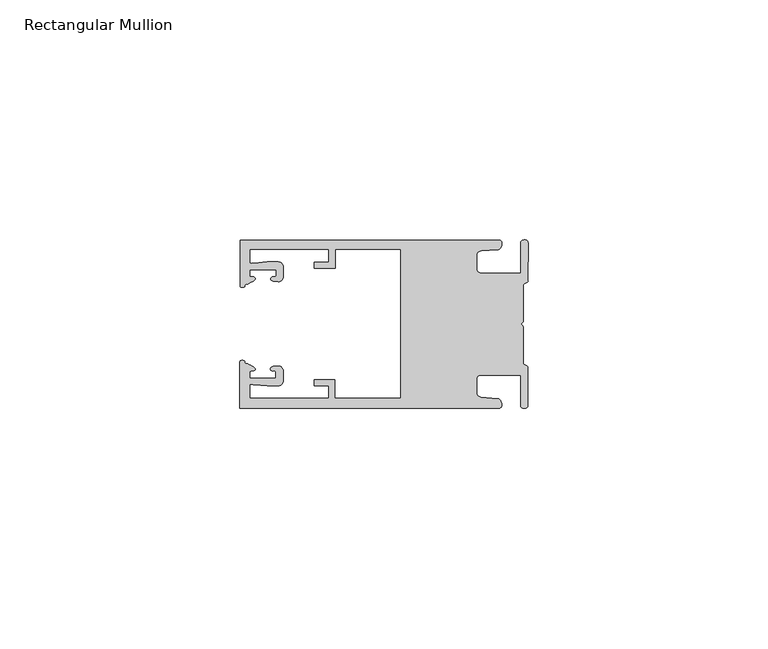
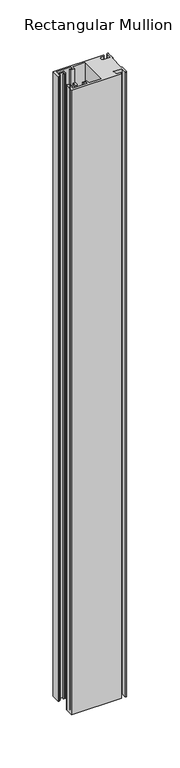
"""IFC4 building model written with IfcOpenShell, lengths in millimetres: member geometry, Rectangular Mullion."""

from ifc_helpers import new_model, si_unit, frame, origin, place, context, project, spatial, circle_curve, source, transform, mapped, element, save
from ifc_brep_helpers import plane_surface, cylinder_surface, extruded_surface, spline_curve, advanced_brep


def rectangular_mullion_7b4a85b7(model_context):
    return source(origin(), model_context, "Body", "AdvancedBrep", [
        advanced_brep(
        [(-60.0749377, 17.5111528, 0.0), (-60.0749377, 8.0140787, 0.0), (-59.3252567, 7.7187455, 0.0), (-58.4967974, 8.36785, 0.0), (-58.0726619, 10.1173923, 0.0), (-58.0713101, 11.3673916, 0.0), (-52.5713133, 11.3614437, 0.0), (-52.5726651, 10.1114444, 0.0), (-53.1427626, 8.8955539, 0.0), (-52.0740172, 8.8609044, 0.0), (-51.0729364, 9.8598224, 0.0), (-51.0706653, 11.9598211, 0.0), (-52.0700692, 12.9609024, 0.0), (-54.3905105, 12.9622843, 0.0), (-57.1599646, 12.7230061, 0.0), (-58.0696339, 12.9173907, 0.0), (-58.066768, 15.5673891, 0.0), (-41.5667584, 15.5673891, 0.0), (-41.5695894, 12.9495468, 0.0), (-44.5695877, 12.9527912, 0.0), (-44.5709936, 11.6527919, 0.0), (-40.2709961, 11.6481417, 0.0), (-40.2667576, 15.5673891, 0.0), (-26.6002952, 15.5673891, 0.0), (-26.6002952, -15.4518424, 0.0), (-40.3003032, -15.4518424, 0.0), (-40.2960856, -11.5518447, 0.0), (-44.5960831, -11.5471945, 0.0), (-44.597489, -12.8471938, 0.0), (-41.5974907, -12.8504381, 0.0), (-41.6003025, -15.4504366, 0.0), (-58.1002928, -15.4325927, 0.0), (-58.097427, -12.7825943, 0.0), (-57.1873395, -12.5901776, 0.0), (-54.4184094, -12.8354453, 0.0), (-52.0979705, -12.8390822, 0.0), (-51.0964037, -11.8401649, 0.0), (-51.0941327, -9.7401662, 0.0), (-52.0930507, -8.7390853, 0.0), (-53.1618685, -8.7714231, 0.0), (-52.5944022, -9.9885439, 0.0), (-52.595754, -11.2385431, 0.0), (-58.0957508, -11.2325952, 0.0), (-58.094399, -9.9825959, 0.0), (-58.5147494, -8.2321403, 0.0), (-59.3418028, -7.5812455, 0.0), (-60.0921208, -7.8749565, 0.0), (-60.0921208, -17.4888267, 0.0), (-6.1024861, -17.4888267, 0.0), (-6.5218639, -15.488372, 0.0), (-9.8784944, -15.2205466, 0.0), (-10.7989567, -14.2226333, 0.0), (-10.7961029, -11.5837474, 0.0), (-9.8734844, -10.5878272, 0.0), (-1.5950266, -10.5934991, 0.0), (-1.601948, -16.9936935, 0.0), (-0.1017194, -16.7830581, 0.0), (-0.0933208, -9.0170082, 0.0), (-1.0923837, -8.1499018, 0.0), (-1.0842165, -0.5977972, 0.0), (-1.0829111, 0.6093089, 0.0), (-1.0747439, 8.1614135, 0.0), (-0.0738079, 9.026357, 0.0), (-0.0654093, 16.7924069, 0.0), (-1.5651789, 17.0062866, 0.0), (-1.5651789, 10.6183257, 0.0), (-9.8505511, 10.6183257, 0.0), (-10.7710133, 11.6162391, 0.0), (-10.7681595, 14.255125, 0.0), (-9.845541, 15.2510452, 0.0), (-6.4883391, 15.5116099, 0.0), (-6.0646356, 17.5111528, 0.0), (-60.0749377, 17.5111528, -716.7155358), (-6.0646356, 17.5111528, -716.7155358), (-6.4883391, 15.5116099, -716.7155358), (-9.845541, 15.2510452, -716.7155358), (-10.7681595, 14.255125, -716.7155358), (-10.7710133, 11.6162391, -716.7155358), (-9.8505511, 10.6183257, -716.7155358), (-1.5651789, 10.6183257, -716.7155358), (-1.5651789, 17.0062866, -716.7155358), (-0.0654093, 16.7924069, -716.7155358), (-0.0738079, 9.026357, -716.7155358), (-1.0747439, 8.1614135, -716.7155358), (-1.0829111, 0.6093089, -716.7155358), (-1.0842165, -0.5977972, -716.7155358), (-1.0923837, -8.1499018, -716.7155358), (-0.0933208, -9.0170082, -716.7155358), (-0.1017194, -16.7830581, -716.7155358), (-1.601948, -16.9936935, -716.7155358), (-1.5950266, -10.5934991, -716.7155358), (-9.8734844, -10.5878272, -716.7155358), (-10.7961029, -11.5837474, -716.7155358), (-10.7989567, -14.2226333, -716.7155358), (-9.8784944, -15.2205466, -716.7155358), (-6.5218639, -15.488372, -716.7155358), (-6.1024861, -17.4888267, -716.7155358), (-60.0921208, -17.4888267, -716.7155358), (-60.0921208, -7.8749565, -716.7155358), (-59.3418028, -7.5812455, -716.7155358), (-58.5147494, -8.2321403, -716.7155358), (-58.094399, -9.9825959, -716.7155358), (-58.0957508, -11.2325952, -716.7155358), (-52.595754, -11.2385431, -716.7155358), (-52.5944022, -9.9885439, -716.7155358), (-53.1618685, -8.7714231, -716.7155358), (-52.0930507, -8.7390853, -716.7155358), (-51.0941327, -9.7401662, -716.7155358), (-51.0964037, -11.8401649, -716.7155358), (-52.0979705, -12.8390823, -716.7155358), (-54.4184094, -12.8354453, -716.7155358), (-57.1873395, -12.5901776, -716.7155358), (-58.097427, -12.7825943, -716.7155358), (-58.1002928, -15.4325927, -716.7155358), (-41.6003025, -15.4504366, -716.7155358), (-41.5974907, -12.8504381, -716.7155358), (-44.597489, -12.8471938, -716.7155358), (-44.5960831, -11.5471945, -716.7155358), (-40.2960856, -11.5518447, -716.7155358), (-40.3003032, -15.4518424, -716.7155358), (-26.6002952, -15.4518424, -716.7155358), (-26.6002952, 15.5673891, -716.7155358), (-40.2667576, 15.5673891, -716.7155358), (-40.2709961, 11.6481417, -716.7155358), (-44.5709936, 11.6527919, -716.7155358), (-44.5695877, 12.9527912, -716.7155358), (-41.5695894, 12.9495468, -716.7155358), (-41.5667584, 15.5673891, -716.7155358), (-58.066768, 15.5673891, -716.7155358), (-58.0696339, 12.9173907, -716.7155358), (-57.1599646, 12.7230061, -716.7155358), (-54.3905105, 12.9622843, -716.7155358), (-52.0700692, 12.9609023, -716.7155358), (-51.0706653, 11.9598211, -716.7155358), (-51.0729364, 9.8598224, -716.7155358), (-52.0740172, 8.8609044, -716.7155358), (-53.1427626, 8.8955539, -716.7155358), (-52.5726651, 10.1114444, -716.7155358), (-52.5713133, 11.3614437, -716.7155358), (-58.0713101, 11.3673916, -716.7155358), (-58.0726619, 10.1173923, -716.7155358), (-58.4967974, 8.36785, -716.7155358), (-59.3252567, 7.7187455, -716.7155358), (-60.0749377, 8.0140787, -716.7155358)],
        [
            (0, 1),
            (1, 2, spline_curve(3, [(-60.0749377, 8.0140787, 0.0), (-60.075233123, 7.740904774, 0.0), (-59.825339491, 7.642460332, 0.0), (-59.3252567, 7.7187455, 0.0)], [4, 4], [0.0, 0.0019169337574178654])),
            (2, 3, spline_curve(3, [(-59.3252567, 7.7187455, 0.0), (-59.094460914, 7.75918372, 0.0), (-59.054835463, 7.902257199, 0.0), (-59.05559987, 8.233305614, 0.0), (-59.138729113, 8.4134359, 0.0), (-58.4967974, 8.36785, 0.0)], [4, 2, 4], [0.0, 0.0010199524164107188, 0.0024874514725970356])),
            (3, 4, spline_curve(3, [(-58.4967974, 8.36785, 0.0), (-57.022393378, 9.053435667, 0.0), (-56.827266887, 9.364828726, 0.0), (-56.982213078, 9.742623404, 0.0), (-57.177375211, 9.855581791, 0.0), (-57.697928101, 9.887955071, 0.0), (-57.997449153, 9.835475348, 0.0), (-58.0726619, 10.1173923, 0.0)], [4, 2, 2, 4], [0.0, 0.003269869179570428, 0.005490050486237203, 0.0073545767114364426])),
            (4, 5),
            (5, 6),
            (6, 7),
            (7, 8, spline_curve(3, [(-52.5726651, 10.1114444, 0.0), (-52.667195519, 9.760172042, 0.0), (-52.937094388, 9.861877724, 0.0), (-53.356237032, 9.895631753, 0.0), (-53.491940439, 9.811038713, 0.0), (-53.761900775, 9.511438033, 0.0), (-53.892893546, 9.278787104, 0.0), (-53.1427626, 8.8955539, 0.0)], [4, 2, 2, 4], [0.0, 0.001593963049934732, 0.0033360256320283306, 0.005339140673503943])),
            (8, 9),
            (9, 10, circle_curve(frame((-52.0729358, 9.8609038, 0.0), z_axis=(0.0, 0.0, 1.0), x_axis=(-0.0010814451158600304, -0.9999994152380598, 0.0)), 1.0)),
            (10, 11),
            (11, 12, circle_curve(frame((-52.0706647, 11.9609026, 0.0), z_axis=(0.0, 0.0, 1.0), x_axis=(-0.0010814451158600304, -0.9999994152380598, 0.0)), 1.0)),
            (12, 13),
            (13, 14),
            (14, 15, spline_curve(3, [(-57.1599646, 12.7230061, 0.0), (-57.631533854, 12.682262968, 0.0), (-58.018602985, 12.477800124, 0.0), (-58.0696339, 12.9173907, 0.0)], [4, 4], [0.0, 0.0014803385355886016])),
            (15, 16),
            (16, 17),
            (17, 18),
            (18, 19),
            (19, 20),
            (20, 21),
            (21, 22),
            (22, 23),
            (23, 24),
            (24, 25),
            (25, 26),
            (26, 27),
            (27, 28),
            (28, 29),
            (29, 30),
            (30, 31),
            (31, 32),
            (32, 33, spline_curve(3, [(-58.097427, -12.7825943, 0.0), (-58.045445419, -12.343115126, 0.0), (-57.658819528, -12.548414611, 0.0), (-57.1873395, -12.5901776, 0.0)], [4, 4], [0.0, 0.0014803385355886016])),
            (33, 34),
            (34, 35),
            (35, 36, circle_curve(frame((-52.0964031, -11.8390835, 0.0), z_axis=(0.0, 0.0, 1.0), x_axis=(0.0010814451158600304, 0.9999994152380598, 0.0)), 1.0)),
            (36, 37),
            (37, 38, circle_curve(frame((-52.0941321, -9.7390847, 0.0), z_axis=(0.0, 0.0, 1.0), x_axis=(0.0010814451158600304, 0.9999994152380598, 0.0)), 1.0)),
            (38, 39),
            (39, 40, spline_curve(3, [(-53.1618685, -8.7714231, 0.0), (-53.912826582, -9.153032958, 0.0), (-53.782337352, -9.385966711, 0.0), (-53.51302565, -9.686150585, 0.0), (-53.377505444, -9.771037009, 0.0), (-52.958290774, -9.738189618, 0.0), (-52.688172635, -9.637067904, 0.0), (-52.5944022, -9.9885439, 0.0)], [4, 2, 2, 4], [0.0, 0.002003115041475612, 0.0037451776235692107, 0.005339140673503943])),
            (40, 41),
            (41, 42),
            (42, 43),
            (43, 44, spline_curve(3, [(-58.094399, -9.9825959, 0.0), (-58.018576674, -9.700842284, 0.0), (-57.719169706, -9.753969703, 0.0), (-57.198548014, -9.722722397, 0.0), (-57.003142178, -9.61018632, 0.0), (-56.847379222, -9.232727657, 0.0), (-57.041831673, -8.920913336, 0.0), (-58.5147494, -8.2321403, 0.0)], [4, 2, 2, 4], [0.0, 0.0018645262251992395, 0.004084707531866015, 0.0073545767114364426])),
            (44, 45, spline_curve(3, [(-58.5147494, -8.2321403, 0.0), (-59.156778208, -8.276337666, 0.0), (-59.073259494, -8.096387681, 0.0), (-59.071779067, -7.765341694, 0.0), (-59.111095017, -7.622182811, 0.0), (-59.3418028, -7.5812455, 0.0)], [4, 2, 4], [0.0, 0.0014674990561863168, 0.0024874514725970356])),
            (45, 46, spline_curve(3, [(-59.3418028, -7.5812455, 0.0), (-59.841719425, -7.503878887, 0.0), (-60.091825377, -7.601782574, 0.0), (-60.0921208, -7.8749565, 0.0)], [4, 4], [0.0, 0.0019169337574178654])),
            (46, 47),
            (47, 48),
            (48, 49, spline_curve(3, [(-6.1024861, -17.4888267, 0.0), (-5.074532184, -17.418062188, 0.0), (-5.631140689, -15.411414367, 0.0), (-6.5218639, -15.488372, 0.0)], [4, 4], [0.0, 0.0043819361547461745])),
            (49, 50),
            (50, 51, spline_curve(3, [(-9.8784944, -15.2205466, 0.0), (-10.440691543, -15.150698463, 0.0), (-10.74751234, -14.818060727, 0.0), (-10.7989567, -14.2226333, 0.0)], [4, 4], [0.0, 0.0028645797420738927])),
            (51, 52),
            (52, 53, spline_curve(3, [(-10.7961029, -11.5837474, 0.0), (-10.743370817, -10.988432634, 0.0), (-10.435831301, -10.656459204, 0.0), (-9.8734844, -10.5878272, 0.0)], [4, 4], [0.0, 0.0028645797420738927])),
            (53, 54),
            (54, 55),
            (55, 56, spline_curve(3, [(-1.601948, -16.9936935, 0.0), (-1.655676874, -17.600261454, 0.0), (-0.043737403, -17.912795581, 0.0), (-0.1017194, -16.7830581, 0.0)], [4, 4], [0.0, 0.0036987374396357936])),
            (56, 57),
            (57, 58, spline_curve(3, [(-0.0933208, -9.0170082, 0.0), (-0.018818183, -8.695886697, 0.0), (-1.193434327, -8.459763043, 0.0), (-1.0923837, -8.1499018, 0.0)], [4, 4], [0.0, 0.002027216749630121])),
            (58, 59),
            (59, 60, spline_curve(3, [(-1.0842165, -0.5977972, 0.0), (-1.013223198, -0.445980437, 0.0), (-1.487945123, -0.206736825, 0.0), (-1.487409651, 0.231097965, 0.0), (-0.999110985, 0.429090391, 0.0), (-1.0829111, 0.6093089, 0.0)], [4, 2, 4], [0.0, 0.00249866671847065, 0.005031402919736269])),
            (60, 61),
            (61, 62, spline_curve(3, [(-1.0747439, 8.1614135, 0.0), (-1.175124095, 8.47149258, 0.0), (-7e-09, 8.705075107, 0.0), (-0.0738079, 9.026357, 0.0)], [4, 4], [0.0, 0.002027216749630121])),
            (62, 63),
            (63, 64, spline_curve(3, [(-0.0654093, 16.7924069, 0.0), (-0.004983942, 17.92201633, 0.0), (-1.617595709, 17.612969344, 0.0), (-1.5651789, 17.0062866, 0.0)], [4, 4], [0.0, 0.0036987374396357936])),
            (64, 65),
            (65, 66),
            (66, 67, spline_curve(3, [(-9.8505511, 10.6183257, 0.0), (-10.412748243, 10.688173837, 0.0), (-10.71956894, 11.020811673, 0.0), (-10.7710133, 11.6162391, 0.0)], [4, 4], [0.0, 0.0028645797420738927])),
            (67, 68),
            (68, 69, spline_curve(3, [(-10.7681595, 14.255125, 0.0), (-10.715427417, 14.850439766, 0.0), (-10.407887901, 15.182413196, 0.0), (-9.845541, 15.2510452, 0.0)], [4, 4], [0.0, 0.0028645797420738927])),
            (69, 70),
            (70, 71, spline_curve(3, [(-6.4883391, 15.5116099, 0.0), (-5.597784423, 15.432725911, 0.0), (-5.036837144, 17.438165103, 0.0), (-6.0646356, 17.5111528, 0.0)], [4, 4], [0.0, 0.0043819361547461745])),
            (71, 0),
            (72, 73),
            (73, 74, spline_curve(3, [(-6.0646356, 17.5111528, -716.7155358), (-5.036837144, 17.438165103, -716.7155358), (-5.597784423, 15.432725911, -716.7155358), (-6.4883391, 15.5116099, -716.7155358)], [4, 4], [0.0, 0.0043819361547461745])),
            (74, 75),
            (75, 76, spline_curve(3, [(-9.845541, 15.2510452, -716.7155358), (-10.407887901, 15.182413196, -716.7155358), (-10.715427417, 14.850439766, -716.7155358), (-10.7681595, 14.255125, -716.7155358)], [4, 4], [0.0, 0.0028645797420738927])),
            (76, 77),
            (77, 78, spline_curve(3, [(-10.7710133, 11.6162391, -716.7155358), (-10.71956894, 11.020811673, -716.7155358), (-10.412748243, 10.688173837, -716.7155358), (-9.8505511, 10.6183257, -716.7155358)], [4, 4], [0.0, 0.0028645797420738927])),
            (78, 79),
            (79, 80),
            (80, 81, spline_curve(3, [(-1.5651789, 17.0062866, -716.7155358), (-1.617595709, 17.612969344, -716.7155358), (-0.004983942, 17.92201633, -716.7155358), (-0.0654093, 16.7924069, -716.7155358)], [4, 4], [0.0, 0.0036987374396357936])),
            (81, 82),
            (82, 83, spline_curve(3, [(-0.0738079, 9.026357, -716.7155358), (-7e-09, 8.705075107, -716.7155358), (-1.175124095, 8.47149258, -716.7155358), (-1.0747439, 8.1614135, -716.7155358)], [4, 4], [0.0, 0.002027216749630121])),
            (83, 84),
            (84, 85, spline_curve(3, [(-1.0829111, 0.6093089, -716.7155358), (-0.999110985, 0.429090391, -716.7155358), (-1.487409651, 0.231097965, -716.7155358), (-1.487945123, -0.206736825, -716.7155358), (-1.013223198, -0.445980437, -716.7155358), (-1.0842165, -0.5977972, -716.7155358)], [4, 2, 4], [0.0, 0.002532736201265619, 0.005031402919736269])),
            (85, 86),
            (86, 87, spline_curve(3, [(-1.0923837, -8.1499018, -716.7155358), (-1.193434327, -8.459763043, -716.7155358), (-0.018818183, -8.695886697, -716.7155358), (-0.0933208, -9.0170082, -716.7155358)], [4, 4], [0.0, 0.002027216749630121])),
            (87, 88),
            (88, 89, spline_curve(3, [(-0.1017194, -16.7830581, -716.7155358), (-0.043737403, -17.912795581, -716.7155358), (-1.655676874, -17.600261454, -716.7155358), (-1.601948, -16.9936935, -716.7155358)], [4, 4], [0.0, 0.0036987374396357936])),
            (89, 90),
            (90, 91),
            (91, 92, spline_curve(3, [(-9.8734844, -10.5878272, -716.7155358), (-10.435831301, -10.656459204, -716.7155358), (-10.743370817, -10.988432634, -716.7155358), (-10.7961029, -11.5837474, -716.7155358)], [4, 4], [0.0, 0.0028645797420738927])),
            (92, 93),
            (93, 94, spline_curve(3, [(-10.7989567, -14.2226333, -716.7155358), (-10.74751234, -14.818060727, -716.7155358), (-10.440691543, -15.150698463, -716.7155358), (-9.8784944, -15.2205466, -716.7155358)], [4, 4], [0.0, 0.0028645797420738927])),
            (94, 95),
            (95, 96, spline_curve(3, [(-6.5218639, -15.488372, -716.7155358), (-5.631140689, -15.411414367, -716.7155358), (-5.074532184, -17.418062188, -716.7155358), (-6.1024861, -17.4888267, -716.7155358)], [4, 4], [0.0, 0.0043819361547461745])),
            (96, 97),
            (97, 98),
            (98, 99, spline_curve(3, [(-60.0921208, -7.8749565, -716.7155358), (-60.091825377, -7.601782574, -716.7155358), (-59.841719425, -7.503878887, -716.7155358), (-59.3418028, -7.5812455, -716.7155358)], [4, 4], [0.0, 0.0019169337574178654])),
            (99, 100, spline_curve(3, [(-59.3418028, -7.5812455, -716.7155358), (-59.111095017, -7.622182811, -716.7155358), (-59.071779067, -7.765341694, -716.7155358), (-59.073259494, -8.096387681, -716.7155358), (-59.156778208, -8.276337666, -716.7155358), (-58.5147494, -8.2321403, -716.7155358)], [4, 2, 4], [0.0, 0.0010199524164107188, 0.0024874514725970356])),
            (100, 101, spline_curve(3, [(-58.5147494, -8.2321403, -716.7155358), (-57.041831673, -8.920913336, -716.7155358), (-56.847379222, -9.232727657, -716.7155358), (-57.003142178, -9.61018632, -716.7155358), (-57.198548014, -9.722722397, -716.7155358), (-57.719169706, -9.753969703, -716.7155358), (-58.018576674, -9.700842284, -716.7155358), (-58.094399, -9.9825959, -716.7155358)], [4, 2, 2, 4], [0.0, 0.003269869179570428, 0.005490050486237203, 0.0073545767114364426])),
            (101, 102),
            (102, 103),
            (103, 104),
            (104, 105, spline_curve(3, [(-52.5944022, -9.9885439, -716.7155358), (-52.688172635, -9.637067904, -716.7155358), (-52.958290774, -9.738189618, -716.7155358), (-53.377505444, -9.771037009, -716.7155358), (-53.51302565, -9.686150585, -716.7155358), (-53.782337352, -9.385966711, -716.7155358), (-53.912826582, -9.153032958, -716.7155358), (-53.1618685, -8.7714231, -716.7155358)], [4, 2, 2, 4], [0.0, 0.001593963049934732, 0.0033360256320283306, 0.005339140673503943])),
            (105, 106),
            (106, 107, circle_curve(frame((-52.0941321, -9.7390847, -716.7155358), z_axis=(0.0, 0.0, -1.0), x_axis=(0.0010814451158600304, 0.9999994152380598, 0.0)), 1.0)),
            (107, 108),
            (108, 109, circle_curve(frame((-52.0964031, -11.8390835, -716.7155358), z_axis=(0.0, 0.0, -1.0), x_axis=(0.0010814451158600304, 0.9999994152380598, 0.0)), 1.0)),
            (109, 110),
            (110, 111),
            (111, 112, spline_curve(3, [(-57.1873395, -12.5901776, -716.7155358), (-57.658819528, -12.548414611, -716.7155358), (-58.045445419, -12.343115126, -716.7155358), (-58.097427, -12.7825943, -716.7155358)], [4, 4], [0.0, 0.0014803385355886016])),
            (112, 113),
            (113, 114),
            (114, 115),
            (115, 116),
            (116, 117),
            (117, 118),
            (118, 119),
            (119, 120),
            (120, 121),
            (121, 122),
            (122, 123),
            (123, 124),
            (124, 125),
            (125, 126),
            (126, 127),
            (127, 128),
            (128, 129),
            (129, 130, spline_curve(3, [(-58.0696339, 12.9173907, -716.7155358), (-58.018602985, 12.477800124, -716.7155358), (-57.631533854, 12.682262968, -716.7155358), (-57.1599646, 12.7230061, -716.7155358)], [4, 4], [0.0, 0.0014803385355886016])),
            (130, 131),
            (131, 132),
            (132, 133, circle_curve(frame((-52.0706647, 11.9609026, -716.7155358), z_axis=(0.0, 0.0, -1.0), x_axis=(-0.0010814451158600304, -0.9999994152380598, 0.0)), 1.0)),
            (133, 134),
            (134, 135, circle_curve(frame((-52.0729358, 9.8609038, -716.7155358), z_axis=(0.0, 0.0, -1.0), x_axis=(-0.0010814451158600304, -0.9999994152380598, 0.0)), 1.0)),
            (135, 136),
            (136, 137, spline_curve(3, [(-53.1427626, 8.8955539, -716.7155358), (-53.892893546, 9.278787104, -716.7155358), (-53.761900775, 9.511438033, -716.7155358), (-53.491940439, 9.811038713, -716.7155358), (-53.356237032, 9.895631753, -716.7155358), (-52.937094388, 9.861877724, -716.7155358), (-52.667195519, 9.760172042, -716.7155358), (-52.5726651, 10.1114444, -716.7155358)], [4, 2, 2, 4], [0.0, 0.002003115041475612, 0.0037451776235692107, 0.005339140673503943])),
            (137, 138),
            (138, 139),
            (139, 140),
            (140, 141, spline_curve(3, [(-58.0726619, 10.1173923, -716.7155358), (-57.997449153, 9.835475348, -716.7155358), (-57.697928101, 9.887955071, -716.7155358), (-57.177375211, 9.855581791, -716.7155358), (-56.982213078, 9.742623404, -716.7155358), (-56.827266887, 9.364828726, -716.7155358), (-57.022393378, 9.053435667, -716.7155358), (-58.4967974, 8.36785, -716.7155358)], [4, 2, 2, 4], [0.0, 0.0018645262251992395, 0.004084707531866015, 0.0073545767114364426])),
            (141, 142, spline_curve(3, [(-58.4967974, 8.36785, -716.7155358), (-59.138729113, 8.4134359, -716.7155358), (-59.05559987, 8.233305614, -716.7155358), (-59.054835463, 7.902257199, -716.7155358), (-59.094460914, 7.75918372, -716.7155358), (-59.3252567, 7.7187455, -716.7155358)], [4, 2, 4], [0.0, 0.0014674990561863168, 0.0024874514725970356])),
            (142, 143, spline_curve(3, [(-59.3252567, 7.7187455, -716.7155358), (-59.825339491, 7.642460332, -716.7155358), (-60.075233123, 7.740904774, -716.7155358), (-60.0749377, 8.0140787, -716.7155358)], [4, 4], [0.0, 0.0019169337574178654])),
            (143, 72),
            (0, 72),
            (143, 1),
            (142, 2),
            (141, 3),
            (140, 4),
            (139, 5),
            (138, 6),
            (137, 7),
            (136, 8),
            (135, 9),
            (134, 10),
            (133, 11),
            (132, 12),
            (131, 13),
            (130, 14),
            (129, 15),
            (128, 16),
            (127, 17),
            (126, 18),
            (125, 19),
            (124, 20),
            (123, 21),
            (122, 22),
            (121, 23),
            (120, 24),
            (119, 25),
            (118, 26),
            (117, 27),
            (116, 28),
            (115, 29),
            (114, 30),
            (113, 31),
            (112, 32),
            (111, 33),
            (110, 34),
            (109, 35),
            (108, 36),
            (107, 37),
            (106, 38),
            (105, 39),
            (104, 40),
            (103, 41),
            (102, 42),
            (101, 43),
            (100, 44),
            (99, 45),
            (98, 46),
            (97, 47),
            (96, 48),
            (95, 49),
            (94, 50),
            (93, 51),
            (92, 52),
            (91, 53),
            (90, 54),
            (89, 55),
            (88, 56),
            (87, 57),
            (86, 58),
            (85, 59),
            (84, 60),
            (83, 61),
            (82, 62),
            (81, 63),
            (80, 64),
            (79, 65),
            (78, 66),
            (77, 67),
            (76, 68),
            (75, 69),
            (74, 70),
            (73, 71),
        ],
        [
            plane_surface(frame((0.0, -62.5853181, 0.0), z_axis=(0.0, 0.0, 1.0), x_axis=(-1.0, 0.0, 0.0))),
            plane_surface(frame((0.0, -62.5853181, -716.7155358), z_axis=(0.0, 0.0, -1.0), x_axis=(-1.0, 0.0, 0.0))),
            plane_surface(frame((-60.0749377, 17.5111528, 0.0), z_axis=(-1.0, 0.0, 0.0), x_axis=(0.0, 0.0, -1.0))),
            extruded_surface(spline_curve(3, [(-60.0749377, 8.0140787, -716.7155358), (-60.075233123, 7.740904774, -716.7155358), (-59.825339491, 7.642460332, -716.7155358), (-59.3252567, 7.7187455, -716.7155358)], [4, 4], [0.0, 0.0019169337574178654]), (0.0, 0.0, 716.7155358), 716.7155358),
            extruded_surface(spline_curve(3, [(-59.3252567, 7.7187455, -716.7155358), (-59.094460914, 7.75918372, -716.7155358), (-59.054835463, 7.902257199, -716.7155358), (-59.05559987, 8.233305614, -716.7155358), (-59.138729113, 8.4134359, -716.7155358), (-58.4967974, 8.36785, -716.7155358)], [4, 2, 4], [0.0, 0.0010199524164107188, 0.0024874514725970356]), (0.0, 0.0, 716.7155358), 716.7155358),
            extruded_surface(spline_curve(3, [(-58.4967974, 8.36785, -716.7155358), (-57.022393378, 9.053435667, -716.7155358), (-56.827266887, 9.364828726, -716.7155358), (-56.982213078, 9.742623404, -716.7155358), (-57.177375211, 9.855581791, -716.7155358), (-57.697928101, 9.887955071, -716.7155358), (-57.997449153, 9.835475348, -716.7155358), (-58.0726619, 10.1173923, -716.7155358)], [4, 2, 2, 4], [0.0, 0.003269869179570428, 0.005490050486237203, 0.0073545767114364426]), (0.0, 0.0, 716.7155358), 716.7155358),
            plane_surface(frame((-58.0726619, 10.1173923, 0.0), z_axis=(0.9999994152380598, -0.0010814451158634145, 0.0), x_axis=(0.0, 0.0, -1.0))),
            plane_surface(frame((-58.0713101, 11.3673916, 0.0), z_axis=(-0.0010814451158616418, -0.9999994152380598, 0.0), x_axis=(0.0, 0.0, -1.0))),
            plane_surface(frame((-52.5713133, 11.3614437, 0.0), z_axis=(-0.9999994152380598, 0.0010814451158643293, 0.0), x_axis=(0.0, 0.0, -1.0))),
            extruded_surface(spline_curve(3, [(-52.5726651, 10.1114444, -716.7155358), (-52.667195519, 9.760172042, -716.7155358), (-52.937094388, 9.861877724, -716.7155358), (-53.356237032, 9.895631753, -716.7155358), (-53.491940439, 9.811038713, -716.7155358), (-53.761900775, 9.511438033, -716.7155358), (-53.892893546, 9.278787104, -716.7155358), (-53.1427626, 8.8955539, -716.7155358)], [4, 2, 2, 4], [0.0, 0.001593963049934732, 0.0033360256320283306, 0.005339140673503943]), (0.0, 0.0, 716.7155358), 716.7155358),
            plane_surface(frame((-53.1427626, 8.8955539, 0.0), z_axis=(-0.032403661401520414, -0.9994748634797054, 0.0), x_axis=(0.0, 0.0, -1.0))),
            cylinder_surface(frame((-52.0729358, 9.8609038, 0.0), z_axis=(0.0, 0.0, 1.0000000000000002), x_axis=(-0.0010814451158600304, -0.9999994152380598, 0.0)), 1.0),
            plane_surface(frame((-51.0729364, 9.8598224, 0.0), z_axis=(0.9999994152380598, -0.001081445115864059, 0.0), x_axis=(0.0, 0.0, -1.0))),
            cylinder_surface(frame((-52.0706647, 11.9609026, 0.0), z_axis=(0.0, 0.0, 1.0000000000000002), x_axis=(-0.0010814451158600304, -0.9999994152380598, 0.0)), 1.0),
            plane_surface(frame((-52.0700692, 12.9609023, 0.0), z_axis=(0.0005955716436318007, 0.999999822647193, 0.0), x_axis=(0.0, 0.0, -1.0))),
            plane_surface(frame((-54.3905105, 12.9622843, 0.0), z_axis=(-0.08607836189159865, 0.9962883697073147, 0.0), x_axis=(0.0, 0.0, -1.0))),
            extruded_surface(spline_curve(3, [(-57.1599646, 12.7230061, -716.7155358), (-57.631533854, 12.682262968, -716.7155358), (-58.018602985, 12.477800124, -716.7155358), (-58.0696339, 12.9173907, -716.7155358)], [4, 4], [0.0, 0.0014803385355886016]), (0.0, 0.0, 716.7155358), 716.7155358),
            plane_surface(frame((-58.0696339, 12.9173907, 0.0), z_axis=(0.9999994152380598, -0.0010814451158629996, 0.0), x_axis=(0.0, 0.0, -1.0))),
            plane_surface(frame((-58.066768, 15.5673891, 0.0), z_axis=(0.0, -1.0, 0.0), x_axis=(0.0, 0.0, -1.0))),
            plane_surface(frame((-41.5667584, 15.5673891, 0.0), z_axis=(-0.9999994152380598, 0.0010814451158636304, 0.0), x_axis=(0.0, 0.0, -1.0))),
            plane_surface(frame((-41.5695894, 12.9495468, 0.0), z_axis=(0.0010814451158615687, 0.9999994152380598, 0.0), x_axis=(0.0, 0.0, -1.0))),
            plane_surface(frame((-44.5695877, 12.9527912, 0.0), z_axis=(-0.9999994152380598, 0.0010814451158626742, 0.0), x_axis=(0.0, 0.0, -1.0))),
            plane_surface(frame((-44.5709936, 11.6527919, 0.0), z_axis=(-0.001081445115861604, -0.9999994152380598, 0.0), x_axis=(0.0, 0.0, -1.0))),
            plane_surface(frame((-40.2709961, 11.6481417, 0.0), z_axis=(0.9999994152380598, -0.001081445115863507, 0.0), x_axis=(0.0, 0.0, -1.0))),
            plane_surface(frame((-40.2667576, 15.5673891, 0.0), z_axis=(0.0, -1.0, 0.0), x_axis=(0.0, 0.0, -1.0))),
            plane_surface(frame((-26.6002952, 15.5673891, 0.0), z_axis=(-1.0, 0.0, 0.0), x_axis=(0.0, 0.0, -1.0))),
            plane_surface(frame((-26.6002952, -15.4518424, 0.0), z_axis=(0.0, 1.0, 0.0), x_axis=(0.0, 0.0, -1.0))),
            plane_surface(frame((-40.3003032, -15.4518424, 0.0), z_axis=(0.9999994152380598, -0.0010814451158565538, 0.0), x_axis=(0.0, 0.0, -1.0))),
            plane_surface(frame((-40.2960856, -11.5518447, 0.0), z_axis=(0.0010814451158584568, 0.9999994152380598, 0.0), x_axis=(0.0, 0.0, -1.0))),
            plane_surface(frame((-44.5960831, -11.5471945, 0.0), z_axis=(-0.9999994152380598, 0.0010814451158573867, 0.0), x_axis=(0.0, 0.0, -1.0))),
            plane_surface(frame((-44.597489, -12.8471938, 0.0), z_axis=(-0.0010814451158584922, -0.9999994152380598, 0.0), x_axis=(0.0, 0.0, -1.0))),
            plane_surface(frame((-41.5974907, -12.8504381, 0.0), z_axis=(-0.9999994152380598, 0.0010814451158564305, 0.0), x_axis=(0.0, 0.0, -1.0))),
            plane_surface(frame((-41.6003025, -15.4504366, 0.0), z_axis=(0.0010814451158583872, 0.9999994152380598, 0.0), x_axis=(0.0, 0.0, -1.0))),
            plane_surface(frame((-58.1002928, -15.4325927, 0.0), z_axis=(0.9999994152380598, -0.0010814451158570612, 0.0), x_axis=(0.0, 0.0, -1.0))),
            extruded_surface(spline_curve(3, [(-58.097427, -12.7825943, -716.7155358), (-58.045445419, -12.343115126, -716.7155358), (-57.658819528, -12.548414611, -716.7155358), (-57.1873395, -12.5901776, -716.7155358)], [4, 4], [0.0, 0.0014803385355886016]), (0.0, 0.0, 716.7155358), 716.7155358),
            plane_surface(frame((-57.1873395, -12.5901776, 0.0), z_axis=(-0.0882330216729926, -0.9960998614026876, 0.0), x_axis=(0.0, 0.0, -1.0))),
            plane_surface(frame((-54.4184094, -12.8354453, 0.0), z_axis=(-0.0015673183327880543, -0.9999987717558677, 0.0), x_axis=(0.0, 0.0, -1.0))),
            cylinder_surface(frame((-52.0964031, -11.8390835, 0.0), z_axis=(0.0, 0.0, 1.0000000000000002), x_axis=(0.0010814451158600304, 0.9999994152380598, 0.0)), 1.0),
            plane_surface(frame((-51.0964037, -11.8401649, 0.0), z_axis=(0.9999994152380598, -0.001081445115856002, 0.0), x_axis=(0.0, 0.0, -1.0))),
            cylinder_surface(frame((-52.0941321, -9.7390847, 0.0), z_axis=(0.0, 0.0, 1.0000000000000002), x_axis=(0.0010814451158600304, 0.9999994152380598, 0.0)), 1.0),
            plane_surface(frame((-52.0930507, -8.7390853, 0.0), z_axis=(-0.030241832452872642, 0.9995426111826812, 0.0), x_axis=(0.0, 0.0, -1.0))),
            extruded_surface(spline_curve(3, [(-53.1618685, -8.7714231, -716.7155358), (-53.912826582, -9.153032958, -716.7155358), (-53.782337352, -9.385966711, -716.7155358), (-53.51302565, -9.686150585, -716.7155358), (-53.377505444, -9.771037009, -716.7155358), (-52.958290774, -9.738189618, -716.7155358), (-52.688172635, -9.637067904, -716.7155358), (-52.5944022, -9.9885439, -716.7155358)], [4, 2, 2, 4], [0.0, 0.002003115041475612, 0.0037451776235692107, 0.005339140673503943]), (0.0, 0.0, 716.7155358), 716.7155358),
            plane_surface(frame((-52.5944022, -9.9885439, 0.0), z_axis=(-0.9999994152380598, 0.0010814451158557316, 0.0), x_axis=(0.0, 0.0, -1.0))),
            plane_surface(frame((-52.595754, -11.2385431, 0.0), z_axis=(0.001081445115858419, 0.9999994152380598, 0.0), x_axis=(0.0, 0.0, -1.0))),
            plane_surface(frame((-58.0957508, -11.2325952, 0.0), z_axis=(0.9999994152380598, -0.0010814451158566464, 0.0), x_axis=(0.0, 0.0, -1.0))),
            extruded_surface(spline_curve(3, [(-58.094399, -9.9825959, -716.7155358), (-58.018576674, -9.700842284, -716.7155358), (-57.719169706, -9.753969703, -716.7155358), (-57.198548014, -9.722722397, -716.7155358), (-57.003142178, -9.61018632, -716.7155358), (-56.847379222, -9.232727657, -716.7155358), (-57.041831673, -8.920913336, -716.7155358), (-58.5147494, -8.2321403, -716.7155358)], [4, 2, 2, 4], [0.0, 0.0018645262251992395, 0.004084707531866015, 0.0073545767114364426]), (0.0, 0.0, 716.7155358), 716.7155358),
            extruded_surface(spline_curve(3, [(-58.5147494, -8.2321403, -716.7155358), (-59.156778208, -8.276337666, -716.7155358), (-59.073259494, -8.096387681, -716.7155358), (-59.071779067, -7.765341694, -716.7155358), (-59.111095017, -7.622182811, -716.7155358), (-59.3418028, -7.5812455, -716.7155358)], [4, 2, 4], [0.0, 0.0014674990561863168, 0.0024874514725970356]), (0.0, 0.0, 716.7155358), 716.7155358),
            extruded_surface(spline_curve(3, [(-59.3418028, -7.5812455, -716.7155358), (-59.841719425, -7.503878887, -716.7155358), (-60.091825377, -7.601782574, -716.7155358), (-60.0921208, -7.8749565, -716.7155358)], [4, 4], [0.0, 0.0019169337574178654]), (0.0, 0.0, 716.7155358), 716.7155358),
            plane_surface(frame((-60.0921208, -7.8749565, 0.0), z_axis=(-1.0, 0.0, 0.0), x_axis=(0.0, 0.0, -1.0))),
            plane_surface(frame((-60.0921208, -17.4888267, 0.0), z_axis=(0.0, -1.0, 0.0), x_axis=(0.0, 0.0, -1.0))),
            extruded_surface(spline_curve(3, [(-6.1024861, -17.4888267, -716.7155358), (-5.074532184, -17.418062188, -716.7155358), (-5.631140689, -15.411414367, -716.7155358), (-6.5218639, -15.488372, -716.7155358)], [4, 4], [0.0, 0.0043819361547461745]), (0.0, 0.0, 716.7155358), 716.7155358),
            plane_surface(frame((-6.5218639, -15.488372, 0.0), z_axis=(0.07953716124904908, 0.9968319015663789, 0.0), x_axis=(0.0, 0.0, -1.0))),
            extruded_surface(spline_curve(3, [(-9.8784944, -15.2205466, -716.7155358), (-10.440691543, -15.150698463, -716.7155358), (-10.74751234, -14.818060727, -716.7155358), (-10.7989567, -14.2226333, -716.7155358)], [4, 4], [0.0, 0.0028645797420738927]), (0.0, 0.0, 716.7155358), 716.7155358),
            plane_surface(frame((-10.7989567, -14.2226333, 0.0), z_axis=(0.9999994152380598, -0.0010814451158568247, 0.0), x_axis=(0.0, 0.0, -1.0))),
            extruded_surface(spline_curve(3, [(-10.7961029, -11.5837474, -716.7155358), (-10.743370817, -10.988432634, -716.7155358), (-10.435831301, -10.656459204, -716.7155358), (-9.8734844, -10.5878272, -716.7155358)], [4, 4], [0.0, 0.0028645797420738927]), (0.0, 0.0, 716.7155358), 716.7155358),
            plane_surface(frame((-9.8734844, -10.5878272, 0.0), z_axis=(-0.0006851371995361226, -0.9999997652934814, 0.0), x_axis=(0.0, 0.0, -1.0))),
            plane_surface(frame((-1.5950266, -10.5934991, 0.0), z_axis=(-0.9999994152380598, 0.0010814451158568644, 0.0), x_axis=(0.0, 0.0, -1.0))),
            extruded_surface(spline_curve(3, [(-1.601948, -16.9936935, -716.7155358), (-1.655676874, -17.600261454, -716.7155358), (-0.043737403, -17.912795581, -716.7155358), (-0.1017194, -16.7830581, -716.7155358)], [4, 4], [0.0, 0.0036987374396357936]), (0.0, 0.0, 716.7155358), 716.7155358),
            plane_surface(frame((-0.1017194, -16.7830581, 0.0), z_axis=(0.9999994152380598, -0.001081445115856699, 0.0), x_axis=(0.0, 0.0, -1.0))),
            extruded_surface(spline_curve(3, [(-0.0933208, -9.0170082, -716.7155358), (-0.018818183, -8.695886697, -716.7155358), (-1.193434327, -8.459763043, -716.7155358), (-1.0923837, -8.1499018, -716.7155358)], [4, 4], [0.0, 0.002027216749630121]), (0.0, 0.0, 716.7155358), 716.7155358),
            plane_surface(frame((-1.0923837, -8.1499018, 0.0), z_axis=(0.9999994152380598, -0.0010814451158566698, 0.0), x_axis=(0.0, 0.0, -1.0))),
            extruded_surface(spline_curve(3, [(-1.0842165, -0.5977972, -716.7155358), (-1.013223198, -0.445980437, -716.7155358), (-1.487945123, -0.206736825, -716.7155358), (-1.487409651, 0.231097965, -716.7155358), (-0.999110985, 0.429090391, -716.7155358), (-1.0829111, 0.6093089, -716.7155358)], [4, 2, 4], [0.0, 0.00249866671847065, 0.005031402919736269]), (0.0, 0.0, 716.7155358), 716.7155358),
            plane_surface(frame((-1.0829111, 0.6093089, 0.0), z_axis=(0.9999994152380598, -0.001081445115863391, 0.0), x_axis=(0.0, 0.0, -1.0))),
            extruded_surface(spline_curve(3, [(-1.0747439, 8.1614135, -716.7155358), (-1.175124095, 8.47149258, -716.7155358), (-7e-09, 8.705075107, -716.7155358), (-0.0738079, 9.026357, -716.7155358)], [4, 4], [0.0, 0.002027216749630121]), (0.0, 0.0, 716.7155358), 716.7155358),
            plane_surface(frame((-0.0738079, 9.026357, 0.0), z_axis=(0.9999994152380598, -0.001081445115863362, 0.0), x_axis=(0.0, 0.0, -1.0))),
            extruded_surface(spline_curve(3, [(-0.0654093, 16.7924069, -716.7155358), (-0.004983942, 17.92201633, -716.7155358), (-1.617595709, 17.612969344, -716.7155358), (-1.5651789, 17.0062866, -716.7155358)], [4, 4], [0.0, 0.0036987374396357936]), (0.0, 0.0, 716.7155358), 716.7155358),
            plane_surface(frame((-1.5651789, 17.0062866, 0.0), z_axis=(-1.0, 0.0, 0.0), x_axis=(0.0, 0.0, -1.0))),
            plane_surface(frame((-1.5651789, 10.6183257, 0.0), z_axis=(0.0, 1.0, 0.0), x_axis=(0.0, 0.0, -1.0))),
            extruded_surface(spline_curve(3, [(-9.8505511, 10.6183257, -716.7155358), (-10.412748243, 10.688173837, -716.7155358), (-10.71956894, 11.020811673, -716.7155358), (-10.7710133, 11.6162391, -716.7155358)], [4, 4], [0.0, 0.0028645797420738927]), (0.0, 0.0, 716.7155358), 716.7155358),
            plane_surface(frame((-10.7710133, 11.6162391, 0.0), z_axis=(0.9999994152380598, -0.0010814451158632362, 0.0), x_axis=(0.0, 0.0, -1.0))),
            extruded_surface(spline_curve(3, [(-10.7681595, 14.255125, -716.7155358), (-10.715427417, 14.850439766, -716.7155358), (-10.407887901, 15.182413196, -716.7155358), (-9.845541, 15.2510452, -716.7155358)], [4, 4], [0.0, 0.0028645797420738927]), (0.0, 0.0, 716.7155358), 716.7155358),
            plane_surface(frame((-9.845541, 15.2510452, 0.0), z_axis=(0.07738093848608862, -0.9970015999781607, 0.0), x_axis=(0.0, 0.0, -1.0))),
            extruded_surface(spline_curve(3, [(-6.4883391, 15.5116099, -716.7155358), (-5.597784423, 15.432725911, -716.7155358), (-5.036837144, 17.438165103, -716.7155358), (-6.0646356, 17.5111528, -716.7155358)], [4, 4], [0.0, 0.0043819361547461745]), (0.0, 0.0, 716.7155358), 716.7155358),
            plane_surface(frame((-6.0646356, 17.5111528, 0.0), z_axis=(0.0, 1.0, 0.0), x_axis=(0.0, 0.0, -1.0))),
        ],
        [
            (0, [[1, 2, 3, 4, 5, 6, 7, 8, 9, 10, 11, 12, 13, 14, 15, 16, 17, 18, 19, 20, 21, 22, 23, 24, 25, 26, 27, 28, 29, 30, 31, 32, 33, 34, 35, 36, 37, 38, 39, 40, 41, 42, 43, 44, 45, 46, 47, 48, 49, 50, 51, 52, 53, 54, 55, 56, 57, 58, 59, 60, 61, 62, 63, 64, 65, 66, 67, 68, 69, 70, 71, 72]]),
            (1, [[73, 74, 75, 76, 77, 78, 79, 80, 81, 82, 83, 84, 85, 86, 87, 88, 89, 90, 91, 92, 93, 94, 95, 96, 97, 98, 99, 100, 101, 102, 103, 104, 105, 106, 107, 108, 109, 110, 111, 112, 113, 114, 115, 116, 117, 118, 119, 120, 121, 122, 123, 124, 125, 126, 127, 128, 129, 130, 131, 132, 133, 134, 135, 136, 137, 138, 139, 140, 141, 142, 143, 144]]),
            (2, [[-1, 145, -144, 146]]),
            (3, [[-2, -146, -143, 147]]),
            (4, [[-3, -147, -142, 148]]),
            (5, [[-4, -148, -141, 149]]),
            (6, [[-5, -149, -140, 150]]),
            (7, [[-6, -150, -139, 151]]),
            (8, [[-7, -151, -138, 152]]),
            (9, [[-8, -152, -137, 153]]),
            (10, [[-9, -153, -136, 154]]),
            (11, [[-10, -154, -135, 155]]),
            (12, [[-11, -155, -134, 156]]),
            (13, [[-12, -156, -133, 157]]),
            (14, [[-13, -157, -132, 158]]),
            (15, [[-14, -158, -131, 159]]),
            (16, [[-15, -159, -130, 160]]),
            (17, [[-16, -160, -129, 161]]),
            (18, [[-17, -161, -128, 162]]),
            (19, [[-18, -162, -127, 163]]),
            (20, [[-19, -163, -126, 164]]),
            (21, [[-20, -164, -125, 165]]),
            (22, [[-21, -165, -124, 166]]),
            (23, [[-22, -166, -123, 167]]),
            (24, [[-23, -167, -122, 168]]),
            (25, [[-24, -168, -121, 169]]),
            (26, [[-25, -169, -120, 170]]),
            (27, [[-26, -170, -119, 171]]),
            (28, [[-27, -171, -118, 172]]),
            (29, [[-28, -172, -117, 173]]),
            (30, [[-29, -173, -116, 174]]),
            (31, [[-30, -174, -115, 175]]),
            (32, [[-31, -175, -114, 176]]),
            (33, [[-32, -176, -113, 177]]),
            (34, [[-33, -177, -112, 178]]),
            (35, [[-34, -178, -111, 179]]),
            (36, [[-35, -179, -110, 180]]),
            (37, [[-36, -180, -109, 181]]),
            (38, [[-37, -181, -108, 182]]),
            (39, [[-38, -182, -107, 183]]),
            (40, [[-39, -183, -106, 184]]),
            (41, [[-40, -184, -105, 185]]),
            (42, [[-41, -185, -104, 186]]),
            (43, [[-42, -186, -103, 187]]),
            (44, [[-43, -187, -102, 188]]),
            (45, [[-44, -188, -101, 189]]),
            (46, [[-45, -189, -100, 190]]),
            (47, [[-46, -190, -99, 191]]),
            (48, [[-47, -191, -98, 192]]),
            (49, [[-48, -192, -97, 193]]),
            (50, [[-49, -193, -96, 194]]),
            (51, [[-50, -194, -95, 195]]),
            (52, [[-51, -195, -94, 196]]),
            (53, [[-52, -196, -93, 197]]),
            (54, [[-53, -197, -92, 198]]),
            (55, [[-54, -198, -91, 199]]),
            (56, [[-55, -199, -90, 200]]),
            (57, [[-56, -200, -89, 201]]),
            (58, [[-57, -201, -88, 202]]),
            (59, [[-58, -202, -87, 203]]),
            (60, [[-59, -203, -86, 204]]),
            (61, [[-60, -204, -85, 205]]),
            (62, [[-61, -205, -84, 206]]),
            (63, [[-62, -206, -83, 207]]),
            (64, [[-63, -207, -82, 208]]),
            (65, [[-64, -208, -81, 209]]),
            (66, [[-65, -209, -80, 210]]),
            (67, [[-66, -210, -79, 211]]),
            (68, [[-67, -211, -78, 212]]),
            (69, [[-68, -212, -77, 213]]),
            (70, [[-69, -213, -76, 214]]),
            (71, [[-70, -214, -75, 215]]),
            (72, [[-71, -215, -74, 216]]),
            (73, [[-72, -216, -73, -145]]),
        ],
    ),
    ])


if __name__ == "__main__":
    model = new_model("IFC4")
    model_context = context("Model", 3, world=origin())
    ifc_project = project(units=[si_unit("LENGTHUNIT", "METRE", prefix="MILLI")], contexts=[model_context])
    site = spatial("IfcSite", under=ifc_project)
    building = spatial("IfcBuilding", under=site)
    placement = place(None, origin())
    rectangular_mullion_shape = rectangular_mullion_7b4a85b7(model_context)
    element("IfcMember", 1, ObjectType="Rectangular Mullion", at=placement, inside=building, context=model_context, shape_type="MappedRepresentation", body=[
        mapped(rectangular_mullion_shape, transform((0.0, 0.0, 0.0), x_axis=(1.0, 0.0, 0.0), y_axis=(0.0, 1.0, 0.0), z_axis=(0.0, 0.0, 1.0))),
    ])
    save(model, "model.ifc")
